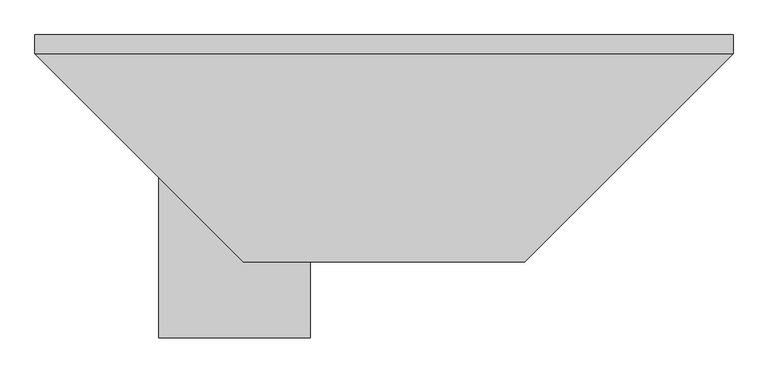
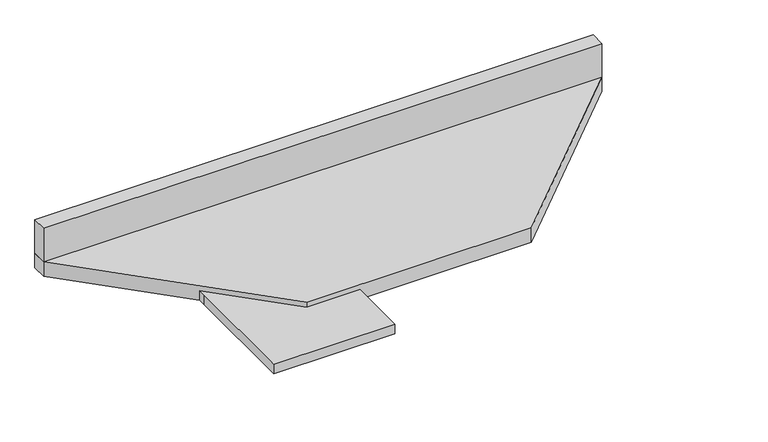
"""IFC4 building model written with IfcOpenShell, lengths in millimetres: proxy geometry."""

import ifcopenshell
import ifcopenshell.guid

model = None  # the IFC model being written
_history = None  # IfcOwnerHistory: only IFC2X3 demands one
_inside = {}  # id of a spatial element -> (the spatial element, [elements in it])
_under = {}  # id of a project, library or spatial element -> (it, [spatial elements below it])
_declared = {}  # id of a project -> (the project, [libraries it declares])
_typed = {}  # id of a type object -> (the type object, [elements of that type])
_made_of = {}  # id of a material, layer set ... -> (it, [elements and type objects made of it])


def new_model(schema):
    """Start an empty IFC model of exactly this schema.

    Asked for "IFC4X3", IfcOpenShell would pick the latest addendum, in which some entities
    have other attributes; the version numbers below select the first issue.
    IFC2X3 requires an IfcOwnerHistory on every rooted entity: one is made here for all.
    """
    global model, _history
    if schema == "IFC4X3":
        model = ifcopenshell.file(schema_version=(4, 3, 0, 0))
    else:
        model = ifcopenshell.file(schema=schema)
    _inside.clear()
    _under.clear()
    _declared.clear()
    _typed.clear()
    _made_of.clear()
    _history = None
    if model.schema == "IFC2X3":
        org = make("IfcOrganization", Name="unknown")
        user = make(
            "IfcPersonAndOrganization",
            ThePerson=make("IfcPerson", FamilyName="unknown"),
            TheOrganization=org,
        )
        app = make(
            "IfcApplication",
            ApplicationDeveloper=org,
            Version="unknown",
            ApplicationFullName="unknown",
            ApplicationIdentifier="unknown",
        )
        _history = make(
            "IfcOwnerHistory",
            OwningUser=user,
            OwningApplication=app,
            ChangeAction="ADDED",
            CreationDate=0,
        )
    return model


def make(cls, **values):
    """One entity of the class cls with the attributes given. An attribute that is None is left unset."""
    return model.create_entity(
        cls, **{name: value for name, value in values.items() if value is not None}
    )


def rooted(cls, **values):
    """An entity with a GlobalId (a new one), such as an element, a storey or a relation."""
    return make(cls, GlobalId=ifcopenshell.guid.new(), OwnerHistory=_history, **values)


def si_unit(unit_type, name, prefix=None):
    """IfcSIUnit, for example si_unit("LENGTHUNIT", "METRE", prefix="MILLI")."""
    return make("IfcSIUnit", UnitType=unit_type, Prefix=prefix, Name=name)


def assignment(units):
    """IfcUnitAssignment: the units of a project."""
    return None if units is None else make("IfcUnitAssignment", Units=units)


def point(xyz):
    """IfcCartesianPoint."""
    return None if xyz is None else make("IfcCartesianPoint", Coordinates=xyz)


def direction(xyz):
    """IfcDirection."""
    return None if xyz is None else make("IfcDirection", DirectionRatios=xyz)


def frame(location, z_axis=None, x_axis=None):
    """IfcAxis2Placement3D, a coordinate frame: its origin and axes. An axis left out is left unset."""
    return make(
        "IfcAxis2Placement3D",
        Location=point(location),
        Axis=direction(z_axis),
        RefDirection=direction(x_axis),
    )


def origin():
    """The frame at (0, 0, 0) with its axes left unset."""
    return frame((0.0, 0.0, 0.0))


def place(relative_to, where):
    """IfcLocalPlacement: puts the frame where relative to a parent placement (None: the world)."""
    return make(
        "IfcLocalPlacement", PlacementRelTo=relative_to, RelativePlacement=where
    )


def context(
    kind, dimensions, precision=None, world=None, true_north=None, identifier=None
):
    """IfcGeometricRepresentationContext, for example the 3D "Model" context."""
    return make(
        "IfcGeometricRepresentationContext",
        ContextIdentifier=identifier,
        ContextType=kind,
        CoordinateSpaceDimension=dimensions,
        Precision=precision,
        WorldCoordinateSystem=world,
        TrueNorth=true_north,
    )


def project(units=None, contexts=None):
    """IfcProject with its units and contexts."""
    return rooted(
        "IfcProject",
        Name="project",
        RepresentationContexts=contexts,
        UnitsInContext=assignment(units),
    )


def spatial(cls, under=None, at=None, **own):
    """A site, building, storey or space (cls), placed at a placement, below another one or the project."""
    s = rooted(cls, ObjectPlacement=at, **own)
    if under is not None:
        _under.setdefault(under.id(), (under, []))[1].append(s)
    return s


def polyline(points):
    """IfcPolyline through the points."""
    return make("IfcPolyline", Points=[point(p) for p in points])


def outline(outer, holes=None, kind="AREA"):
    """IfcArbitraryClosedProfileDef: a profile drawn as a closed curve; with holes, ...WithVoids."""
    if holes is None:
        return make("IfcArbitraryClosedProfileDef", ProfileType=kind, OuterCurve=outer)
    return make(
        "IfcArbitraryProfileDefWithVoids",
        ProfileType=kind,
        OuterCurve=outer,
        InnerCurves=holes,
    )


def extrude(swept, where, along, depth):
    """IfcExtrudedAreaSolid: the profile swept, set in the frame where, extruded along a direction by depth."""
    return make(
        "IfcExtrudedAreaSolid",
        SweptArea=swept,
        Position=where,
        ExtrudedDirection=direction(along),
        Depth=depth,
    )


def shape(context_of_items, identifier, shape_type, items):
    """IfcShapeRepresentation: the items that make up one representation, for example the "Body"."""
    return make(
        "IfcShapeRepresentation",
        ContextOfItems=context_of_items,
        RepresentationIdentifier=identifier,
        RepresentationType=shape_type,
        Items=items,
    )


def source(mapping_origin, context_of_items, identifier, shape_type, items):
    """IfcRepresentationMap: a shape defined once, which mapped items show again and again."""
    return make(
        "IfcRepresentationMap",
        MappingOrigin=mapping_origin,
        MappedRepresentation=shape(context_of_items, identifier, shape_type, items),
    )


def transform(
    local_origin,
    x_axis=None,
    y_axis=None,
    z_axis=None,
    scale=None,
    scale2=None,
    scale3=None,
    uniform=True,
):
    """IfcCartesianTransformationOperator3D, or its non-uniform kind. x_axis, y_axis, z_axis: its Axis1, 2, 3."""
    if uniform:
        return make(
            "IfcCartesianTransformationOperator3D",
            Axis1=direction(x_axis),
            Axis2=direction(y_axis),
            LocalOrigin=point(local_origin),
            Scale=scale,
            Axis3=direction(z_axis),
        )
    return make(
        "IfcCartesianTransformationOperator3DnonUniform",
        Axis1=direction(x_axis),
        Axis2=direction(y_axis),
        LocalOrigin=point(local_origin),
        Scale=scale,
        Axis3=direction(z_axis),
        Scale2=scale2,
        Scale3=scale3,
    )


def mapped(mapping_source, mapping_target):
    """IfcMappedItem: shows the shape of a source again, moved by a transform."""
    return make(
        "IfcMappedItem", MappingSource=mapping_source, MappingTarget=mapping_target
    )


def made_of(thing, what):
    """Note that an element or type object is made of a material, layer set ...; save() writes the relation."""
    if what is not None:
        _made_of.setdefault(what.id(), (what, []))[1].append(thing)
    return thing


def element(
    cls,
    number,
    at=None,
    inside=None,
    cuts=None,
    type_object=None,
    material=None,
    context=None,
    identifier="Body",
    shape_type=None,
    held_by="IfcProductDefinitionShape",
    body=None,
    shapes=None,
    **own,
):
    """One element of the class cls, such as IfcWall. Its Tag is "e" and its number.

    at: its placement. inside: the storey or other place that contains it. cuts: it is an
    opening in that element (IfcRelVoidsElement). A single representation is given by context,
    identifier, shape_type and body (its items); several are given by shapes. held_by: the class
    of the entity that holds the representations. save() writes the other relations.
    """
    e = rooted(cls, Tag="e%d" % number, ObjectPlacement=at, **own)
    if body is not None:
        shapes = [shape(context, identifier, shape_type, body)]
    if shapes is not None:
        e.Representation = make(held_by, Representations=shapes)
    if inside is not None:
        _inside.setdefault(inside.id(), (inside, []))[1].append(e)
    if cuts is not None:
        rooted(
            "IfcRelVoidsElement", RelatingBuildingElement=cuts, RelatedOpeningElement=e
        )
    if type_object is not None:
        _typed.setdefault(type_object.id(), (type_object, []))[1].append(e)
    return made_of(e, material)


def aggregate(whole, parts):
    """IfcRelAggregates: a whole, such as a stair, and the parts it consists of."""
    return rooted("IfcRelAggregates", RelatingObject=whole, RelatedObjects=parts)


def save(model, path):
    """Write the relations noted so far, then the file.

    IfcRelAggregates (storeys below a building ...), IfcRelContainedInSpatialStructure (elements
    in a storey), IfcRelDefinesByType, IfcRelAssociatesMaterial and IfcRelDeclares: one each for
    every whole, place, type object, material and project.
    """
    for whole, parts in _under.values():
        aggregate(whole, parts)
    for where, things in _inside.values():
        rooted(
            "IfcRelContainedInSpatialStructure",
            RelatedElements=things,
            RelatingStructure=where,
        )
    for kind, things in _typed.values():
        rooted("IfcRelDefinesByType", RelatedObjects=things, RelatingType=kind)
    for what, things in _made_of.values():
        rooted("IfcRelAssociatesMaterial", RelatedObjects=things, RelatingMaterial=what)
    for by, libraries in _declared.values():
        rooted("IfcRelDeclares", RelatingContext=by, RelatedDefinitions=libraries)
    model.write(path)


def specialty_equipment_c0fcd640(model_context):
    return source(origin(), model_context, "Body", "SweptSolid", [
        extrude(outline(polyline([(-400.9054372, 266.7), (-400.9054372, 304.8), (1002.6430003, 304.8), (1002.6430003, 266.7), (-400.9054372, 266.7)])), frame((0.0, 0.0, 876.3), z_axis=(0.0, 0.0, 1.0), x_axis=(1.0, 0.0, 0.0)), (0.0, 0.0, 1.0), 88.9),
        extrude(outline(polyline([(1002.6430003, 304.8), (1002.6430003, 266.6686289), (583.5743714, -152.4), (18.2130614, -152.4), (-400.9054372, 266.7184987), (-400.9054372, 304.8), (1002.6430003, 304.8)])), frame((0.0, 0.0, 838.2), z_axis=(0.0, 0.0, 1.0), x_axis=(1.0, 0.0, 0.0)), (0.0, 0.0, 1.0), 38.1),
        extrude(outline(polyline([(-152.4, 304.8), (152.4, 304.8), (152.4, -304.8), (-152.4, -304.8), (-152.4, 0.0), (-152.4, 304.8)])), frame((0.0, 0.0, 838.2), z_axis=(0.0, 0.0, 1.0), x_axis=(1.0, 0.0, 0.0)), (0.0, 0.0, 1.0), 25.4),
    ])


if __name__ == "__main__":
    model = new_model("IFC4")
    model_context = context("Model", 3, world=origin())
    ifc_project = project(units=[si_unit("LENGTHUNIT", "METRE", prefix="MILLI")], contexts=[model_context])
    site = spatial("IfcSite", under=ifc_project)
    building = spatial("IfcBuilding", under=site)
    placement = place(None, origin())
    specialty_equipment_shape = specialty_equipment_c0fcd640(model_context)
    element("IfcBuildingElementProxy", 1, Name="Specialty Equipment", at=placement, inside=building, context=model_context, shape_type="MappedRepresentation", body=[
        mapped(specialty_equipment_shape, transform((0.0, 0.0, 0.0), x_axis=(1.0, 0.0, 0.0), y_axis=(0.0, 1.0, 0.0), z_axis=(0.0, 0.0, 1.0))),
    ])
    save(model, "model.ifc")
